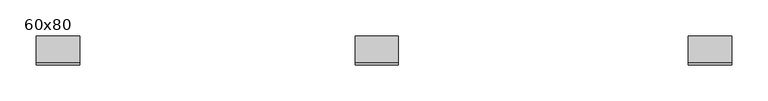
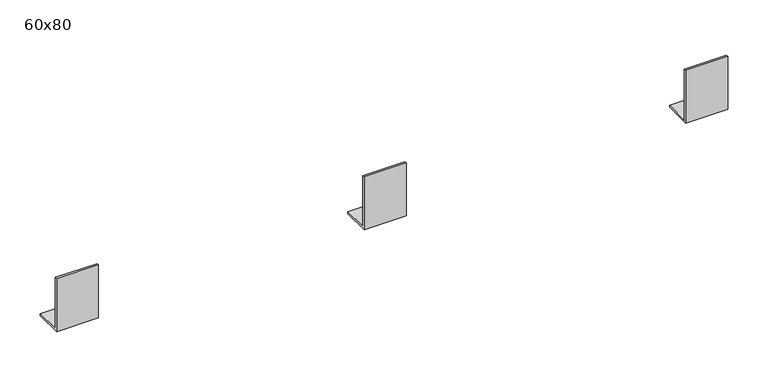
"""IFC4 building model written with IfcOpenShell, lengths in millimetres: proxy geometry, 60x80."""

from ifc_helpers import new_model, si_unit, frame, origin, place, context, project, spatial, polyline, outline, extrude, source, transform, mapped, element, save


def proxy_60x80_09fce9a2(model_context):
    return source(origin(), model_context, "Body", "SweptSolid", [
        extrude(outline(polyline([(40.0, 0.0), (0.0, 0.0), (0.0, 80.0), (3.0, 80.0), (3.0, 3.0), (40.0, 3.0), (40.0, 0.0)])), frame((900.0, 0.0, 0.0), z_axis=(1.0, 0.0, 0.0), x_axis=(0.0, 1.0, 0.0)), (0.0, 0.0, 1.0), 60.0),
        extrude(outline(polyline([(40.0, 0.0), (0.0, 0.0), (0.0, 80.0), (3.0, 80.0), (3.0, 3.0), (40.0, 3.0), (40.0, 0.0)])), frame((440.0, 0.0, 0.0), z_axis=(1.0, 0.0, 0.0), x_axis=(0.0, 1.0, 0.0)), (0.0, 0.0, 1.0), 60.0),
        extrude(outline(polyline([(40.0, 0.0), (0.0, 0.0), (0.0, 80.0), (3.0, 80.0), (3.0, 3.0), (40.0, 3.0), (40.0, 0.0)])), frame((0.0, 0.0, 0.0), z_axis=(1.0, 0.0, 0.0), x_axis=(0.0, 1.0, 0.0)), (0.0, 0.0, 1.0), 60.0),
    ])


if __name__ == "__main__":
    model = new_model("IFC4")
    model_context = context("Model", 3, world=origin())
    ifc_project = project(units=[si_unit("LENGTHUNIT", "METRE", prefix="MILLI")], contexts=[model_context])
    site = spatial("IfcSite", under=ifc_project)
    building = spatial("IfcBuilding", under=site)
    placement = place(None, origin())
    proxy_60x80_shape = proxy_60x80_09fce9a2(model_context)
    element("IfcBuildingElementProxy", 1, Name="60x80", ObjectType="60x80", at=placement, inside=building, context=model_context, shape_type="MappedRepresentation", body=[
        mapped(proxy_60x80_shape, transform((0.0, 0.0, 0.0), x_axis=(1.0, 0.0, 0.0), y_axis=(0.0, 1.0, 0.0), z_axis=(0.0, 0.0, 1.0))),
    ])
    save(model, "model.ifc")
